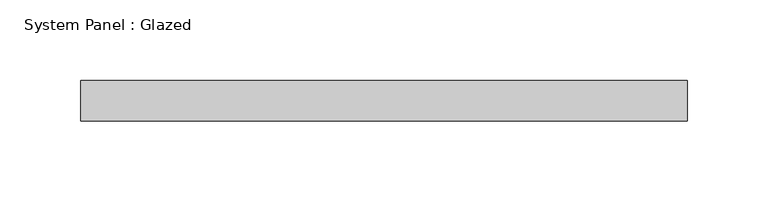
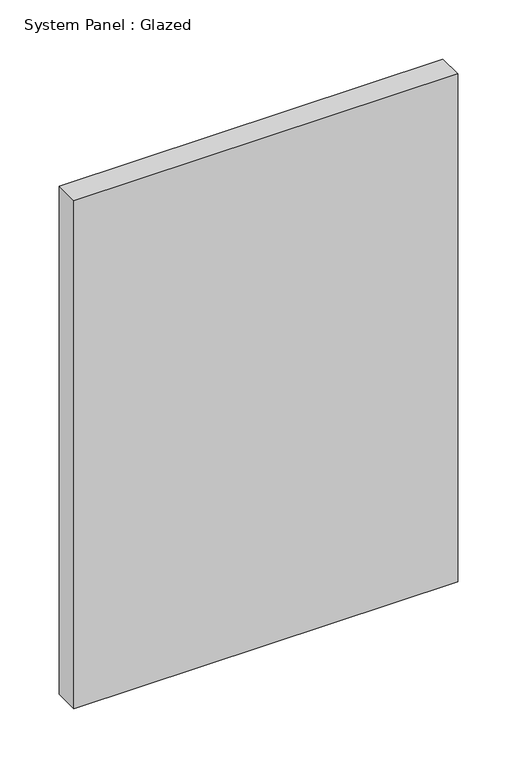
"""IFC4 building model written with IfcOpenShell, lengths in millimetres: plate geometry, System Panel : Glazed."""

from ifc_helpers import new_model, si_unit, origin, origin_with_axes, place, context, project, spatial, polyline, outline, extrude, source, transform, mapped, element, save


def system_panel_glazed_40a34e68(model_context):
    return source(origin(), model_context, "Body", "SweptSolid", [
        extrude(outline(polyline([(187.5, -49.5), (-187.5, -49.5), (-187.5, -24.5), (187.5, -24.5), (187.5, -49.5)])), origin_with_axes(), (0.0, 0.0, 1.0), 525.0),
    ])


if __name__ == "__main__":
    model = new_model("IFC4")
    model_context = context("Model", 3, world=origin())
    ifc_project = project(units=[si_unit("LENGTHUNIT", "METRE", prefix="MILLI")], contexts=[model_context])
    site = spatial("IfcSite", under=ifc_project)
    building = spatial("IfcBuilding", under=site)
    placement = place(None, origin())
    system_panel_glazed_shape = system_panel_glazed_40a34e68(model_context)
    element("IfcPlate", 1, ObjectType="System Panel : Glazed", at=placement, inside=building, context=model_context, shape_type="MappedRepresentation", body=[
        mapped(system_panel_glazed_shape, transform((0.0, 0.0, 0.0), x_axis=(1.0, 0.0, 0.0), y_axis=(0.0, 1.0, 0.0), z_axis=(0.0, 0.0, 1.0))),
    ])
    save(model, "model.ifc")
